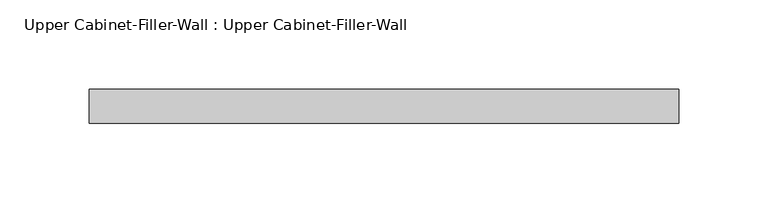
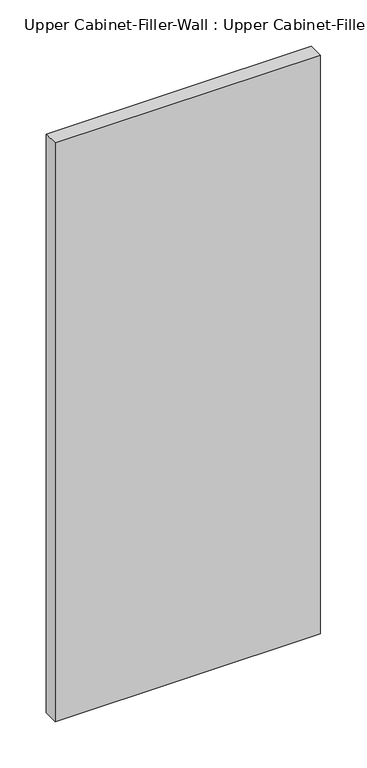
"""IFC4 building model written with IfcOpenShell, lengths in millimetres: furniture geometry, Upper Cabinet-Filler-Wall : Upper Cabinet-Filler-Wall."""

from ifc_helpers import new_model, si_unit, frame, origin, place, context, project, spatial, polyline, outline, extrude, source, transform, mapped, element, save


def upper_cabinet_filler_wall_upper_cabinet_filler_wall_f2f58361(model_context):
    return source(origin(), model_context, "Body", "SweptSolid", [
        extrude(outline(polyline([(-135.3288372, 347.6625), (-135.3288372, 366.7125), (194.8711628, 366.7125), (194.8711628, 347.6625), (-135.3288372, 347.6625)])), frame((0.0, 0.0, 1371.6), z_axis=(0.0, 0.0, 1.0), x_axis=(1.0, 0.0, 0.0)), (0.0, 0.0, 1.0), 762.0),
    ])


if __name__ == "__main__":
    model = new_model("IFC4")
    model_context = context("Model", 3, world=origin())
    ifc_project = project(units=[si_unit("LENGTHUNIT", "METRE", prefix="MILLI")], contexts=[model_context])
    site = spatial("IfcSite", under=ifc_project)
    building = spatial("IfcBuilding", under=site)
    placement = place(None, origin())
    upper_cabinet_filler_wall_upper_cabinet_filler_wall_shape = upper_cabinet_filler_wall_upper_cabinet_filler_wall_f2f58361(model_context)
    element("IfcFurniture", 1, ObjectType="Upper Cabinet-Filler-Wall : Upper Cabinet-Filler-Wall", at=placement, inside=building, context=model_context, shape_type="MappedRepresentation", body=[
        mapped(upper_cabinet_filler_wall_upper_cabinet_filler_wall_shape, transform((0.0, 0.0, 0.0), x_axis=(1.0, 0.0, 0.0), y_axis=(0.0, 1.0, 0.0), z_axis=(0.0, 0.0, 1.0))),
    ])
    save(model, "model.ifc")
